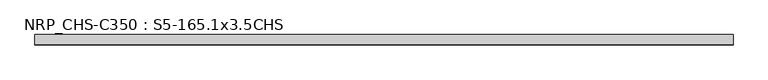
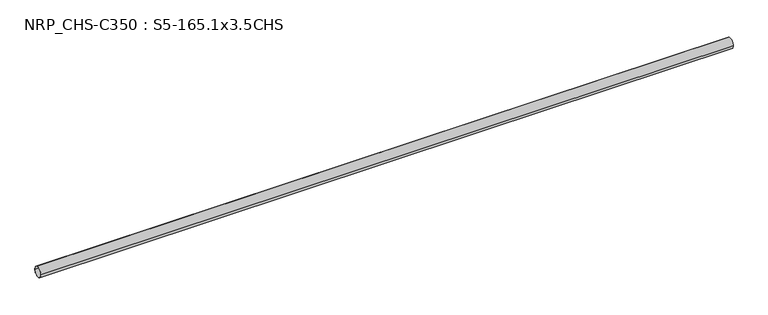
"""IFC4 building model written with IfcOpenShell, lengths in millimetres: beam geometry, NRP_CHS-C350 : S5-165.1x3.5CHS."""

import ifcopenshell
import ifcopenshell.guid

model = None  # the IFC model being written
_history = None  # IfcOwnerHistory: only IFC2X3 demands one
_inside = {}  # id of a spatial element -> (the spatial element, [elements in it])
_under = {}  # id of a project, library or spatial element -> (it, [spatial elements below it])
_declared = {}  # id of a project -> (the project, [libraries it declares])
_typed = {}  # id of a type object -> (the type object, [elements of that type])
_made_of = {}  # id of a material, layer set ... -> (it, [elements and type objects made of it])


def new_model(schema):
    """Start an empty IFC model of exactly this schema.

    Asked for "IFC4X3", IfcOpenShell would pick the latest addendum, in which some entities
    have other attributes; the version numbers below select the first issue.
    IFC2X3 requires an IfcOwnerHistory on every rooted entity: one is made here for all.
    """
    global model, _history
    if schema == "IFC4X3":
        model = ifcopenshell.file(schema_version=(4, 3, 0, 0))
    else:
        model = ifcopenshell.file(schema=schema)
    _inside.clear()
    _under.clear()
    _declared.clear()
    _typed.clear()
    _made_of.clear()
    _history = None
    if model.schema == "IFC2X3":
        org = make("IfcOrganization", Name="unknown")
        user = make(
            "IfcPersonAndOrganization",
            ThePerson=make("IfcPerson", FamilyName="unknown"),
            TheOrganization=org,
        )
        app = make(
            "IfcApplication",
            ApplicationDeveloper=org,
            Version="unknown",
            ApplicationFullName="unknown",
            ApplicationIdentifier="unknown",
        )
        _history = make(
            "IfcOwnerHistory",
            OwningUser=user,
            OwningApplication=app,
            ChangeAction="ADDED",
            CreationDate=0,
        )
    return model


def make(cls, **values):
    """One entity of the class cls with the attributes given. An attribute that is None is left unset."""
    return model.create_entity(
        cls, **{name: value for name, value in values.items() if value is not None}
    )


def rooted(cls, **values):
    """An entity with a GlobalId (a new one), such as an element, a storey or a relation."""
    return make(cls, GlobalId=ifcopenshell.guid.new(), OwnerHistory=_history, **values)


def si_unit(unit_type, name, prefix=None):
    """IfcSIUnit, for example si_unit("LENGTHUNIT", "METRE", prefix="MILLI")."""
    return make("IfcSIUnit", UnitType=unit_type, Prefix=prefix, Name=name)


def assignment(units):
    """IfcUnitAssignment: the units of a project."""
    return None if units is None else make("IfcUnitAssignment", Units=units)


def point(xyz):
    """IfcCartesianPoint."""
    return None if xyz is None else make("IfcCartesianPoint", Coordinates=xyz)


def direction(xyz):
    """IfcDirection."""
    return None if xyz is None else make("IfcDirection", DirectionRatios=xyz)


def frame(location, z_axis=None, x_axis=None):
    """IfcAxis2Placement3D, a coordinate frame: its origin and axes. An axis left out is left unset."""
    return make(
        "IfcAxis2Placement3D",
        Location=point(location),
        Axis=direction(z_axis),
        RefDirection=direction(x_axis),
    )


def frame_2d(location, x_axis=None):
    """IfcAxis2Placement2D, a coordinate frame in the plane: its origin and x axis."""
    return make(
        "IfcAxis2Placement2D", Location=point(location), RefDirection=direction(x_axis)
    )


def origin():
    """The frame at (0, 0, 0) with its axes left unset."""
    return frame((0.0, 0.0, 0.0))


def origin_2d():
    """The frame at (0, 0) in the plane with its x axis left unset."""
    return frame_2d((0.0, 0.0))


def place(relative_to, where):
    """IfcLocalPlacement: puts the frame where relative to a parent placement (None: the world)."""
    return make(
        "IfcLocalPlacement", PlacementRelTo=relative_to, RelativePlacement=where
    )


def context(
    kind, dimensions, precision=None, world=None, true_north=None, identifier=None
):
    """IfcGeometricRepresentationContext, for example the 3D "Model" context."""
    return make(
        "IfcGeometricRepresentationContext",
        ContextIdentifier=identifier,
        ContextType=kind,
        CoordinateSpaceDimension=dimensions,
        Precision=precision,
        WorldCoordinateSystem=world,
        TrueNorth=true_north,
    )


def project(units=None, contexts=None):
    """IfcProject with its units and contexts."""
    return rooted(
        "IfcProject",
        Name="project",
        RepresentationContexts=contexts,
        UnitsInContext=assignment(units),
    )


def spatial(cls, under=None, at=None, **own):
    """A site, building, storey or space (cls), placed at a placement, below another one or the project."""
    s = rooted(cls, ObjectPlacement=at, **own)
    if under is not None:
        _under.setdefault(under.id(), (under, []))[1].append(s)
    return s


def circle_curve(where, radius):
    """IfcCircle in the frame where."""
    return make("IfcCircle", Position=where, Radius=radius)


def trimmed(basis, trim1, trim2, sense, master):
    """IfcTrimmedCurve: the piece of a basis curve between two trims."""
    return make(
        "IfcTrimmedCurve",
        BasisCurve=basis,
        Trim1=trim1,
        Trim2=trim2,
        SenseAgreement=sense,
        MasterRepresentation=master,
    )


def segment(curve, same_sense, transition):
    """IfcCompositeCurveSegment."""
    return make(
        "IfcCompositeCurveSegment",
        Transition=transition,
        SameSense=same_sense,
        ParentCurve=curve,
    )


def composite_curve(segments, self_intersect=None):
    """IfcCompositeCurve: segments joined end to end."""
    return make("IfcCompositeCurve", Segments=segments, SelfIntersect=self_intersect)


def outline(outer, holes=None, kind="AREA"):
    """IfcArbitraryClosedProfileDef: a profile drawn as a closed curve; with holes, ...WithVoids."""
    if holes is None:
        return make("IfcArbitraryClosedProfileDef", ProfileType=kind, OuterCurve=outer)
    return make(
        "IfcArbitraryProfileDefWithVoids",
        ProfileType=kind,
        OuterCurve=outer,
        InnerCurves=holes,
    )


def extrude(swept, where, along, depth):
    """IfcExtrudedAreaSolid: the profile swept, set in the frame where, extruded along a direction by depth."""
    return make(
        "IfcExtrudedAreaSolid",
        SweptArea=swept,
        Position=where,
        ExtrudedDirection=direction(along),
        Depth=depth,
    )


def shape(context_of_items, identifier, shape_type, items):
    """IfcShapeRepresentation: the items that make up one representation, for example the "Body"."""
    return make(
        "IfcShapeRepresentation",
        ContextOfItems=context_of_items,
        RepresentationIdentifier=identifier,
        RepresentationType=shape_type,
        Items=items,
    )


def source(mapping_origin, context_of_items, identifier, shape_type, items):
    """IfcRepresentationMap: a shape defined once, which mapped items show again and again."""
    return make(
        "IfcRepresentationMap",
        MappingOrigin=mapping_origin,
        MappedRepresentation=shape(context_of_items, identifier, shape_type, items),
    )


def transform(
    local_origin,
    x_axis=None,
    y_axis=None,
    z_axis=None,
    scale=None,
    scale2=None,
    scale3=None,
    uniform=True,
):
    """IfcCartesianTransformationOperator3D, or its non-uniform kind. x_axis, y_axis, z_axis: its Axis1, 2, 3."""
    if uniform:
        return make(
            "IfcCartesianTransformationOperator3D",
            Axis1=direction(x_axis),
            Axis2=direction(y_axis),
            LocalOrigin=point(local_origin),
            Scale=scale,
            Axis3=direction(z_axis),
        )
    return make(
        "IfcCartesianTransformationOperator3DnonUniform",
        Axis1=direction(x_axis),
        Axis2=direction(y_axis),
        LocalOrigin=point(local_origin),
        Scale=scale,
        Axis3=direction(z_axis),
        Scale2=scale2,
        Scale3=scale3,
    )


def mapped(mapping_source, mapping_target):
    """IfcMappedItem: shows the shape of a source again, moved by a transform."""
    return make(
        "IfcMappedItem", MappingSource=mapping_source, MappingTarget=mapping_target
    )


def made_of(thing, what):
    """Note that an element or type object is made of a material, layer set ...; save() writes the relation."""
    if what is not None:
        _made_of.setdefault(what.id(), (what, []))[1].append(thing)
    return thing


def element(
    cls,
    number,
    at=None,
    inside=None,
    cuts=None,
    type_object=None,
    material=None,
    context=None,
    identifier="Body",
    shape_type=None,
    held_by="IfcProductDefinitionShape",
    body=None,
    shapes=None,
    **own,
):
    """One element of the class cls, such as IfcWall. Its Tag is "e" and its number.

    at: its placement. inside: the storey or other place that contains it. cuts: it is an
    opening in that element (IfcRelVoidsElement). A single representation is given by context,
    identifier, shape_type and body (its items); several are given by shapes. held_by: the class
    of the entity that holds the representations. save() writes the other relations.
    """
    e = rooted(cls, Tag="e%d" % number, ObjectPlacement=at, **own)
    if body is not None:
        shapes = [shape(context, identifier, shape_type, body)]
    if shapes is not None:
        e.Representation = make(held_by, Representations=shapes)
    if inside is not None:
        _inside.setdefault(inside.id(), (inside, []))[1].append(e)
    if cuts is not None:
        rooted(
            "IfcRelVoidsElement", RelatingBuildingElement=cuts, RelatedOpeningElement=e
        )
    if type_object is not None:
        _typed.setdefault(type_object.id(), (type_object, []))[1].append(e)
    return made_of(e, material)


def aggregate(whole, parts):
    """IfcRelAggregates: a whole, such as a stair, and the parts it consists of."""
    return rooted("IfcRelAggregates", RelatingObject=whole, RelatedObjects=parts)


def save(model, path):
    """Write the relations noted so far, then the file.

    IfcRelAggregates (storeys below a building ...), IfcRelContainedInSpatialStructure (elements
    in a storey), IfcRelDefinesByType, IfcRelAssociatesMaterial and IfcRelDeclares: one each for
    every whole, place, type object, material and project.
    """
    for whole, parts in _under.values():
        aggregate(whole, parts)
    for where, things in _inside.values():
        rooted(
            "IfcRelContainedInSpatialStructure",
            RelatedElements=things,
            RelatingStructure=where,
        )
    for kind, things in _typed.values():
        rooted("IfcRelDefinesByType", RelatedObjects=things, RelatingType=kind)
    for what, things in _made_of.values():
        rooted("IfcRelAssociatesMaterial", RelatedObjects=things, RelatingMaterial=what)
    for by, libraries in _declared.values():
        rooted("IfcRelDeclares", RelatingContext=by, RelatedDefinitions=libraries)
    model.write(path)


def nrp_chs_c350_s5_165_1x3_5chs_7c5efe96(model_context):
    return source(origin(), model_context, "Body", "SweptSolid", [
        extrude(outline(composite_curve([segment(trimmed(circle_curve(origin_2d(), 82.55), [point((82.55, 0.0))], [point((-82.55, 0.0))], False, "CARTESIAN"), True, "CONTINUOUS"), segment(trimmed(circle_curve(origin_2d(), 82.55), [point((-82.55, 0.0))], [point((82.55, 0.0))], False, "CARTESIAN"), True, "CONTINUOUS")], self_intersect=False), holes=[composite_curve([segment(trimmed(circle_curve(origin_2d(), 79.05), [point((-79.05, 0.0))], [point((79.05, 0.0))], True, "CARTESIAN"), True, "CONTINUOUS"), segment(trimmed(circle_curve(origin_2d(), 79.05), [point((79.05, 0.0))], [point((-79.05, 0.0))], True, "CARTESIAN"), True, "CONTINUOUS")], self_intersect=False)]), frame((-5522.8, 0.0, 0.0), z_axis=(1.0, 0.0, 0.0), x_axis=(0.0, 1.0, 0.0)), (0.0, 0.0, 1.0), 11047.8),
    ])


if __name__ == "__main__":
    model = new_model("IFC4")
    model_context = context("Model", 3, world=origin())
    ifc_project = project(units=[si_unit("LENGTHUNIT", "METRE", prefix="MILLI")], contexts=[model_context])
    site = spatial("IfcSite", under=ifc_project)
    building = spatial("IfcBuilding", under=site)
    placement = place(None, origin())
    nrp_chs_c350_s5_165_1x3_5chs_shape = nrp_chs_c350_s5_165_1x3_5chs_7c5efe96(model_context)
    element("IfcBeam", 1, ObjectType="NRP_CHS-C350 : S5-165.1x3.5CHS", at=placement, inside=building, context=model_context, shape_type="MappedRepresentation", body=[
        mapped(nrp_chs_c350_s5_165_1x3_5chs_shape, transform((0.0, 0.0, 0.0), x_axis=(1.0, 0.0, 0.0), y_axis=(0.0, 1.0, 0.0), z_axis=(0.0, 0.0, 1.0))),
    ])
    save(model, "model.ifc")
